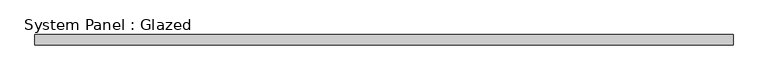
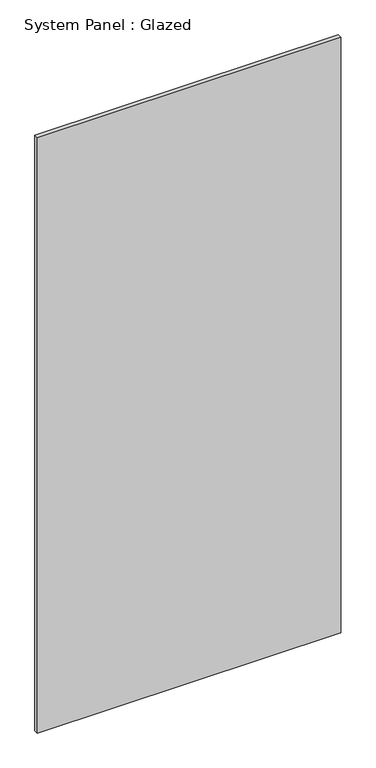
"""IFC4 building model written with IfcOpenShell, lengths in millimetres: plate geometry, System Panel : Glazed."""

from ifc_helpers import new_model, si_unit, origin, origin_with_axes, place, context, project, spatial, polyline, outline, extrude, source, transform, mapped, element, save


def system_panel_glazed_b7da6602(model_context):
    return source(origin(), model_context, "Body", "SweptSolid", [
        extrude(outline(polyline([(866.775, 19.05), (-866.775, 19.05), (-866.775, 44.45), (866.775, 44.45), (866.775, 19.05)])), origin_with_axes(), (0.0, 0.0, 1.0), 3594.1),
    ])


if __name__ == "__main__":
    model = new_model("IFC4")
    model_context = context("Model", 3, world=origin())
    ifc_project = project(units=[si_unit("LENGTHUNIT", "METRE", prefix="MILLI")], contexts=[model_context])
    site = spatial("IfcSite", under=ifc_project)
    building = spatial("IfcBuilding", under=site)
    placement = place(None, origin())
    system_panel_glazed_shape = system_panel_glazed_b7da6602(model_context)
    element("IfcPlate", 1, ObjectType="System Panel : Glazed", at=placement, inside=building, context=model_context, shape_type="MappedRepresentation", body=[
        mapped(system_panel_glazed_shape, transform((0.0, 0.0, 0.0), x_axis=(1.0, 0.0, 0.0), y_axis=(0.0, 1.0, 0.0), z_axis=(0.0, 0.0, 1.0))),
    ])
    save(model, "model.ifc")
